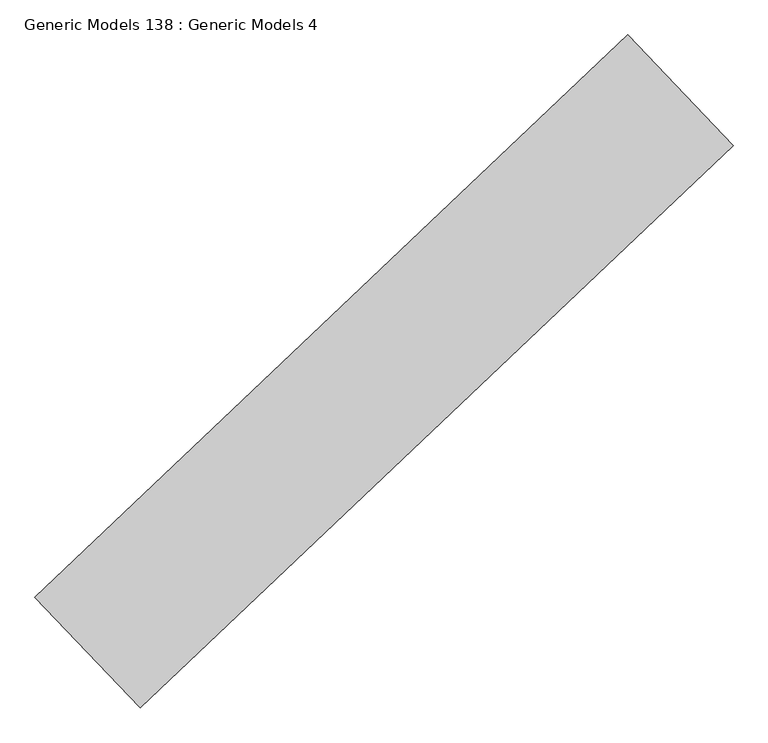
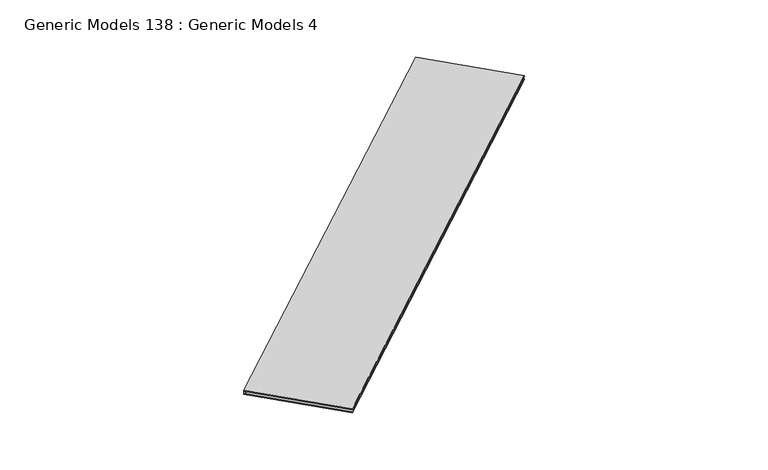
"""IFC4 building model written with IfcOpenShell, lengths in millimetres: proxy geometry, Generic Models 138 : Generic Models 4."""

from ifc_helpers import new_model, si_unit, frame, origin, place, context, project, spatial, polyline, outline, extrude, source, transform, mapped, element, save


def generic_models_138_generic_models_4_77b415ab(model_context):
    return source(origin(), model_context, "Body", "SweptSolid", [
        extrude(outline(polyline([(102500.0725094, 54414.9775626), (102080.45156, 54857.1657792), (104445.6979059, 57101.700753), (104865.3188553, 56659.5125364), (102500.0725094, 54414.9775626)])), frame((0.0, 0.0, 18709.5494812), z_axis=(0.0, 0.0, 1.0), x_axis=(1.0, 0.0, 0.0)), (0.0, 0.0, 1.0), 6.35),
        extrude(outline(polyline([(102089.1936631, 54847.9535247), (102080.45156, 54857.1657792), (104445.6979059, 57101.700753), (104454.4400091, 57092.4884985), (102089.1936631, 54847.9535247)])), frame((0.0, 0.0, 18697.2463562), z_axis=(0.0, 0.0, 1.0), x_axis=(1.0, 0.0, 0.0)), (0.0, 0.0, 1.0), 11.90625),
        extrude(outline(polyline([(102500.0725094, 54414.9775626), (102080.45156, 54857.1657792), (104445.6979059, 57101.700753), (104865.3188553, 56659.5125364), (102500.0725094, 54414.9775626)])), frame((0.0, 0.0, 18690.4994812), z_axis=(0.0, 0.0, 1.0), x_axis=(1.0, 0.0, 0.0)), (0.0, 0.0, 1.0), 6.35),
    ])


if __name__ == "__main__":
    model = new_model("IFC4")
    model_context = context("Model", 3, world=origin())
    ifc_project = project(units=[si_unit("LENGTHUNIT", "METRE", prefix="MILLI")], contexts=[model_context])
    site = spatial("IfcSite", under=ifc_project)
    building = spatial("IfcBuilding", under=site)
    placement = place(None, origin())
    generic_models_138_generic_models_4_shape = generic_models_138_generic_models_4_77b415ab(model_context)
    element("IfcBuildingElementProxy", 1, Name="Generic Models 138 : Generic Models 4", ObjectType="Generic Models 138 : Generic Models 4", at=placement, inside=building, context=model_context, shape_type="MappedRepresentation", body=[
        mapped(generic_models_138_generic_models_4_shape, transform((0.0, 0.0, 0.0), x_axis=(1.0, 0.0, 0.0), y_axis=(0.0, 1.0, 0.0), z_axis=(0.0, 0.0, 1.0))),
    ])
    save(model, "model.ifc")
